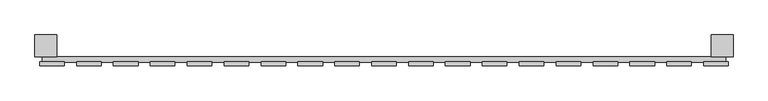
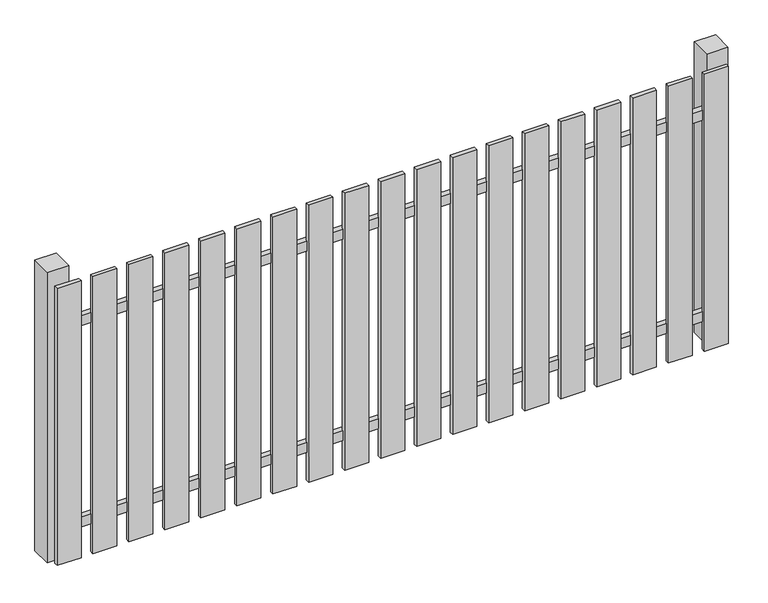
"""IFC4 building model written with IfcOpenShell, lengths in millimetres: railing geometry."""

from ifc_helpers import new_model, si_unit, frame, origin, origin_with_axes, place, context, project, spatial, polyline, outline, extrude, source, transform, mapped, element, save


def railing_1a20bfcd(model_context):
    return source(origin(), model_context, "Body", "SweptSolid", [
        extrude(outline(polyline([(1287.4299228, -92439.0267127), (1287.4299228, -92419.0267127), (3787.4299228, -92419.0267127), (3787.4299228, -92439.0267127), (1287.4299228, -92439.0267127)])), frame((0.0, 0.0, 110.0), z_axis=(0.0, 0.0, 1.0), x_axis=(1.0, 0.0, 0.0)), (0.0, 0.0, 1.0), 40.0),
        extrude(outline(polyline([(1287.4299228, -92439.0267127), (1287.4299228, -92419.0267127), (3787.4299228, -92419.0267127), (3787.4299228, -92439.0267127), (1287.4299228, -92439.0267127)])), frame((0.0, 0.0, 910.0), z_axis=(0.0, 0.0, 1.0), x_axis=(1.0, 0.0, 0.0)), (0.0, 0.0, 1.0), 40.0),
        extrude(outline(polyline([(3707.4299228, -92452.5267127), (3707.4299228, -92437.5267127), (3797.4299228, -92437.5267127), (3797.4299228, -92452.5267127), (3707.4299228, -92452.5267127)])), origin_with_axes(), (0.0, 0.0, 1.0), 1100.0),
        extrude(outline(polyline([(3572.4299228, -92452.5267127), (3572.4299228, -92437.5267127), (3662.4299228, -92437.5267127), (3662.4299228, -92452.5267127), (3572.4299228, -92452.5267127)])), origin_with_axes(), (0.0, 0.0, 1.0), 1100.0),
        extrude(outline(polyline([(3437.4299228, -92452.5267127), (3437.4299228, -92437.5267127), (3527.4299228, -92437.5267127), (3527.4299228, -92452.5267127), (3437.4299228, -92452.5267127)])), origin_with_axes(), (0.0, 0.0, 1.0), 1100.0),
        extrude(outline(polyline([(3302.4299228, -92452.5267127), (3302.4299228, -92437.5267127), (3392.4299228, -92437.5267127), (3392.4299228, -92452.5267127), (3302.4299228, -92452.5267127)])), origin_with_axes(), (0.0, 0.0, 1.0), 1100.0),
        extrude(outline(polyline([(3167.4299228, -92452.5267127), (3167.4299228, -92437.5267127), (3257.4299228, -92437.5267127), (3257.4299228, -92452.5267127), (3167.4299228, -92452.5267127)])), origin_with_axes(), (0.0, 0.0, 1.0), 1100.0),
        extrude(outline(polyline([(3032.4299228, -92452.5267127), (3032.4299228, -92437.5267127), (3122.4299228, -92437.5267127), (3122.4299228, -92452.5267127), (3032.4299228, -92452.5267127)])), origin_with_axes(), (0.0, 0.0, 1.0), 1100.0),
        extrude(outline(polyline([(2897.4299228, -92452.5267127), (2897.4299228, -92437.5267127), (2987.4299228, -92437.5267127), (2987.4299228, -92452.5267127), (2897.4299228, -92452.5267127)])), origin_with_axes(), (0.0, 0.0, 1.0), 1100.0),
        extrude(outline(polyline([(2762.4299228, -92452.5267127), (2762.4299228, -92437.5267127), (2852.4299228, -92437.5267127), (2852.4299228, -92452.5267127), (2762.4299228, -92452.5267127)])), origin_with_axes(), (0.0, 0.0, 1.0), 1100.0),
        extrude(outline(polyline([(2627.4299228, -92452.5267127), (2627.4299228, -92437.5267127), (2717.4299228, -92437.5267127), (2717.4299228, -92452.5267127), (2627.4299228, -92452.5267127)])), origin_with_axes(), (0.0, 0.0, 1.0), 1100.0),
        extrude(outline(polyline([(2492.4299228, -92452.5267127), (2492.4299228, -92437.5267127), (2582.4299228, -92437.5267127), (2582.4299228, -92452.5267127), (2492.4299228, -92452.5267127)])), origin_with_axes(), (0.0, 0.0, 1.0), 1100.0),
        extrude(outline(polyline([(2357.4299228, -92452.5267127), (2357.4299228, -92437.5267127), (2447.4299228, -92437.5267127), (2447.4299228, -92452.5267127), (2357.4299228, -92452.5267127)])), origin_with_axes(), (0.0, 0.0, 1.0), 1100.0),
        extrude(outline(polyline([(2222.4299228, -92452.5267127), (2222.4299228, -92437.5267127), (2312.4299228, -92437.5267127), (2312.4299228, -92452.5267127), (2222.4299228, -92452.5267127)])), origin_with_axes(), (0.0, 0.0, 1.0), 1100.0),
        extrude(outline(polyline([(2087.4299228, -92452.5267127), (2087.4299228, -92437.5267127), (2177.4299228, -92437.5267127), (2177.4299228, -92452.5267127), (2087.4299228, -92452.5267127)])), origin_with_axes(), (0.0, 0.0, 1.0), 1100.0),
        extrude(outline(polyline([(1952.4299228, -92452.5267127), (1952.4299228, -92437.5267127), (2042.4299228, -92437.5267127), (2042.4299228, -92452.5267127), (1952.4299228, -92452.5267127)])), origin_with_axes(), (0.0, 0.0, 1.0), 1100.0),
        extrude(outline(polyline([(1817.4299228, -92452.5267127), (1817.4299228, -92437.5267127), (1907.4299228, -92437.5267127), (1907.4299228, -92452.5267127), (1817.4299228, -92452.5267127)])), origin_with_axes(), (0.0, 0.0, 1.0), 1100.0),
        extrude(outline(polyline([(1682.4299228, -92452.5267127), (1682.4299228, -92437.5267127), (1772.4299228, -92437.5267127), (1772.4299228, -92452.5267127), (1682.4299228, -92452.5267127)])), origin_with_axes(), (0.0, 0.0, 1.0), 1100.0),
        extrude(outline(polyline([(1547.4299228, -92452.5267127), (1547.4299228, -92437.5267127), (1637.4299228, -92437.5267127), (1637.4299228, -92452.5267127), (1547.4299228, -92452.5267127)])), origin_with_axes(), (0.0, 0.0, 1.0), 1100.0),
        extrude(outline(polyline([(1412.4299228, -92452.5267127), (1412.4299228, -92437.5267127), (1502.4299228, -92437.5267127), (1502.4299228, -92452.5267127), (1412.4299228, -92452.5267127)])), origin_with_axes(), (0.0, 0.0, 1.0), 1100.0),
        extrude(outline(polyline([(1277.4299228, -92452.5267127), (1277.4299228, -92437.5267127), (1367.4299228, -92437.5267127), (1367.4299228, -92452.5267127), (1277.4299228, -92452.5267127)])), origin_with_axes(), (0.0, 0.0, 1.0), 1100.0),
        extrude(outline(polyline([(3734.9299228, -92339.0267127), (3814.9299228, -92339.0267127), (3814.9299228, -92419.0267127), (3734.9299228, -92419.0267127), (3734.9299228, -92339.0267127)])), frame((0.0, 0.0, -4.0), z_axis=(0.0, 0.0, 1.0), x_axis=(1.0, 0.0, 0.0)), (0.0, 0.0, 1.0), 1154.0),
        extrude(outline(polyline([(1259.9299228, -92339.0267127), (1339.9299228, -92339.0267127), (1339.9299228, -92419.0267127), (1259.9299228, -92419.0267127), (1259.9299228, -92339.0267127)])), frame((0.0, 0.0, -4.0), z_axis=(0.0, 0.0, 1.0), x_axis=(1.0, 0.0, 0.0)), (0.0, 0.0, 1.0), 1154.0),
    ])


if __name__ == "__main__":
    model = new_model("IFC4")
    model_context = context("Model", 3, world=origin())
    ifc_project = project(units=[si_unit("LENGTHUNIT", "METRE", prefix="MILLI")], contexts=[model_context])
    site = spatial("IfcSite", under=ifc_project)
    building = spatial("IfcBuilding", under=site)
    placement = place(None, origin())
    railing_shape = railing_1a20bfcd(model_context)
    element("IfcRailing", 1, at=placement, inside=building, context=model_context, shape_type="MappedRepresentation", body=[
        mapped(railing_shape, transform((0.0, 0.0, 0.0), x_axis=(1.0, 0.0, 0.0), y_axis=(0.0, 1.0, 0.0), z_axis=(0.0, 0.0, 1.0))),
    ])
    save(model, "model.ifc")
